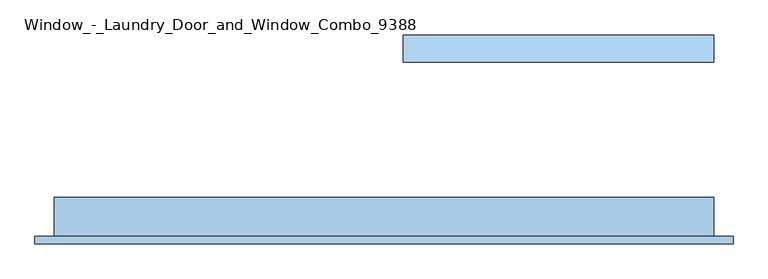
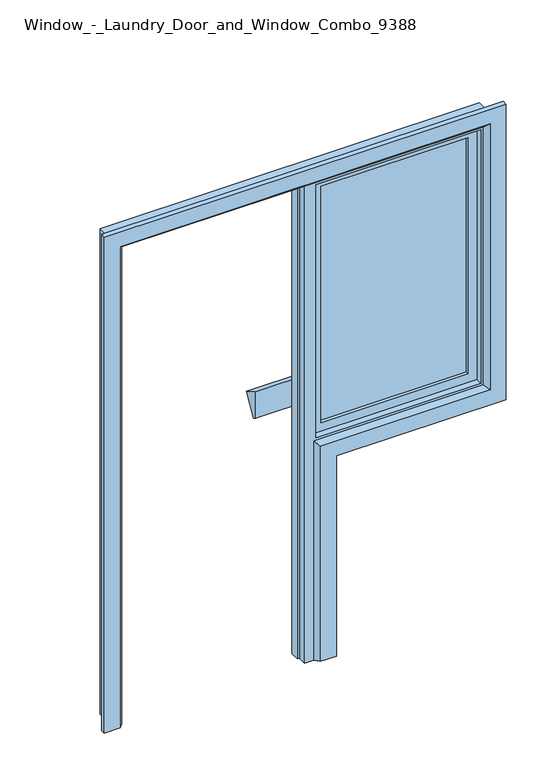
"""IFC4 building model written with IfcOpenShell, lengths in millimetres: window geometry, Window_-_Laundry_Door_and_Window_Combo_9388."""

from ifc_helpers import new_model, si_unit, frame, origin, place, context, project, spatial, polyline, outline, extrude, faceted_brep, source, transform, mapped, element, save


def window_laundry_door_and_window_combo_9388_4204f90d(model_context):
    return source(origin(), model_context, "Body", "SolidModel", [
        extrude(outline(polyline([(295.0, 959.5854812), (240.0, 864.3226867), (225.0, 872.9829408), (225.0, 1000.0), (295.0, 959.5854812)])), frame((-100.0, 0.0, 0.0), z_axis=(1.0, 0.0, 0.0), x_axis=(0.0, 1.0, 0.0)), (0.0, 0.0, 1.0), 800.0),
        extrude(outline(polyline([(1040.0, -100.0), (1040.0, 660.0), (2260.0, 660.0), (2260.0, -100.0), (1040.0, -100.0)]), holes=[polyline([(2210.0, -50.0), (2210.0, 610.0), (1090.0, 610.0), (1090.0, -50.0), (2210.0, -50.0)])]), frame((0.0, -195.0, 0.0), z_axis=(0.0, 1.0, 0.0), x_axis=(0.0, 0.0, 1.0)), (0.0, 0.0, 1.0), 40.0),
        extrude(outline(polyline([(610.0, -180.0), (-50.0, -180.0), (-50.0, -170.0), (610.0, -170.0), (610.0, -180.0)])), frame((0.0, 0.0, 1090.0), z_axis=(0.0, 0.0, 1.0), x_axis=(1.0, 0.0, 0.0)), (0.0, 0.0, 1.0), 1120.0),
        faceted_brep([(-100.0, -225.0, 1000.0), (700.0, -225.0, 1000.0), (700.0, -225.0, 2300.0), (-1000.0, -225.0, 2300.0), (-1000.0, -225.0, 0.0), (-960.0, -225.0, 0.0), (-960.0, -225.0, 2260.0), (-140.0, -225.0, 2260.0), (-140.0, -225.0, 0.0), (-100.0, -225.0, 0.0), (-90.0, -225.0, 1050.0), (-90.0, -225.0, 2250.0), (650.0, -225.0, 2250.0), (650.0, -225.0, 1050.0), (-100.0, -125.0, 1000.0), (700.0, -125.0, 1000.0), (700.0, -125.0, 2300.0), (-1000.0, -125.0, 2300.0), (-1000.0, -125.0, 0.0), (-960.0, -125.0, 0.0), (-960.0, -145.0, 0.0), (-950.0, -145.0, 0.0), (-950.0, -185.0, 0.0), (-960.0, -185.0, 0.0), (-960.0, -185.0, 2260.0), (-960.0, -125.0, 2260.0), (-960.0, -145.0, 2260.0), (-140.0, -185.0, 2260.0), (-140.0, -185.0, 0.0), (-140.0, -125.0, 2260.0), (-140.0, -125.0, 0.0), (-140.0, -145.0, 0.0), (-140.0, -145.0, 2260.0), (-150.0, -185.0, 0.0), (-150.0, -145.0, 0.0), (-100.0, -125.0, 0.0), (-100.0, -125.0, 1040.0), (-100.0, -125.0, 2260.0), (-100.0, -195.0, 2260.0), (-100.0, -195.0, 1040.0), (-90.0, -195.0, 2250.0), (-90.0, -195.0, 1050.0), (650.0, -195.0, 1050.0), (650.0, -195.0, 2250.0), (660.0, -125.0, 1040.0), (660.0, -125.0, 2260.0), (660.0, -195.0, 1040.0), (660.0, -195.0, 2260.0), (-150.0, -145.0, 2250.0), (-950.0, -145.0, 2250.0), (-950.0, -185.0, 2250.0), (-150.0, -185.0, 2250.0)], [[[0, 1, 2, 3, 4, 5, 6, 7, 8, 9], [10, 11, 12, 13]], [[1, 0, 14, 15]], [[2, 1, 15, 16]], [[4, 3, 17, 18]], [[5, 4, 18, 19, 20, 21, 22, 23]], [[6, 5, 23, 24]], [[19, 25, 26, 20]], [[8, 7, 27, 28]], [[29, 30, 31, 32]], [[9, 8, 28, 33, 34, 31, 30, 35]], [[9, 35, 14, 0]], [[36, 37, 38, 39]], [[40, 11, 10, 41]], [[42, 13, 12, 43]], [[41, 10, 13, 42]], [[25, 19, 18, 17, 16, 15, 14, 35, 30, 29], [36, 44, 45, 37]], [[44, 36, 39, 46]], [[46, 39, 38, 47], [40, 41, 42, 43]], [[45, 44, 46, 47]], [[31, 34, 48, 49, 21, 20, 26, 32]], [[50, 22, 21, 49]], [[33, 28, 27, 24, 23, 22, 50, 51]], [[34, 33, 51, 48]], [[7, 6, 24, 27]], [[37, 45, 47, 38]], [[25, 29, 32, 26]], [[3, 2, 16, 17]], [[11, 40, 43, 12]], [[51, 50, 49, 48]]]),
        faceted_brep([(-10.0, -245.0, 0.0), (-80.0, -245.0, 0.0), (-100.0, -225.0, 0.0), (-10.0, -225.0, 0.0), (-10.0, -245.0, 950.0), (750.0, -245.0, 950.0), (750.0, -245.0, 2350.0), (-1050.0, -245.0, 2350.0), (-1050.0, -245.0, 0.0), (-980.0, -245.0, 0.0), (-980.0, -245.0, 2280.0), (680.0, -245.0, 2280.0), (680.0, -245.0, 1020.0), (-80.0, -245.0, 1020.0), (-100.0, -225.0, 1040.0), (660.0, -225.0, 1040.0), (660.0, -225.0, 2260.0), (-960.0, -225.0, 2260.0), (-960.0, -225.0, 0.0), (-1050.0, -225.0, 0.0), (-1050.0, -225.0, 2350.0), (750.0, -225.0, 2350.0), (750.0, -225.0, 950.0), (-10.0, -225.0, 950.0)], [[[0, 1, 2, 3]], [[1, 0, 4, 5, 6, 7, 8, 9, 10, 11, 12, 13]], [[2, 1, 13, 14]], [[3, 2, 14, 15, 16, 17, 18, 19, 20, 21, 22, 23]], [[0, 3, 23, 4]], [[4, 23, 22, 5]], [[5, 22, 21, 6]], [[7, 20, 19, 8]], [[8, 19, 18, 9]], [[17, 10, 9, 18]], [[15, 12, 11, 16]], [[14, 13, 12, 15]], [[16, 11, 10, 17]], [[6, 21, 20, 7]]]),
    ])


if __name__ == "__main__":
    model = new_model("IFC4")
    model_context = context("Model", 3, world=origin())
    ifc_project = project(units=[si_unit("LENGTHUNIT", "METRE", prefix="MILLI")], contexts=[model_context])
    site = spatial("IfcSite", under=ifc_project)
    building = spatial("IfcBuilding", under=site)
    placement = place(None, origin())
    window_laundry_door_and_window_combo_9388_shape = window_laundry_door_and_window_combo_9388_4204f90d(model_context)
    element("IfcWindow", 1, ObjectType="Window_-_Laundry_Door_and_Window_Combo_9388", at=placement, inside=building, context=model_context, shape_type="MappedRepresentation", body=[
        mapped(window_laundry_door_and_window_combo_9388_shape, transform((0.0, 0.0, 0.0), x_axis=(1.0, 0.0, 0.0), y_axis=(0.0, 1.0, 0.0), z_axis=(0.0, 0.0, 1.0))),
    ])
    save(model, "model.ifc")
